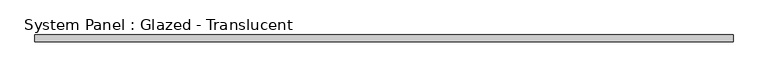
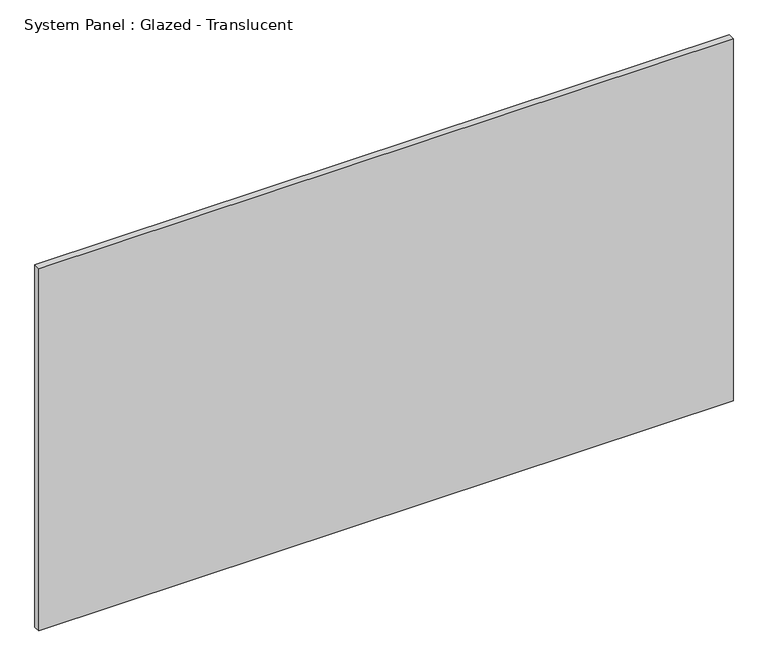
"""IFC4 building model written with IfcOpenShell, lengths in millimetres: plate geometry, System Panel : Glazed - Translucent."""

import ifcopenshell
import ifcopenshell.guid

model = None  # the IFC model being written
_history = None  # IfcOwnerHistory: only IFC2X3 demands one
_inside = {}  # id of a spatial element -> (the spatial element, [elements in it])
_under = {}  # id of a project, library or spatial element -> (it, [spatial elements below it])
_declared = {}  # id of a project -> (the project, [libraries it declares])
_typed = {}  # id of a type object -> (the type object, [elements of that type])
_made_of = {}  # id of a material, layer set ... -> (it, [elements and type objects made of it])


def new_model(schema):
    """Start an empty IFC model of exactly this schema.

    Asked for "IFC4X3", IfcOpenShell would pick the latest addendum, in which some entities
    have other attributes; the version numbers below select the first issue.
    IFC2X3 requires an IfcOwnerHistory on every rooted entity: one is made here for all.
    """
    global model, _history
    if schema == "IFC4X3":
        model = ifcopenshell.file(schema_version=(4, 3, 0, 0))
    else:
        model = ifcopenshell.file(schema=schema)
    _inside.clear()
    _under.clear()
    _declared.clear()
    _typed.clear()
    _made_of.clear()
    _history = None
    if model.schema == "IFC2X3":
        org = make("IfcOrganization", Name="unknown")
        user = make(
            "IfcPersonAndOrganization",
            ThePerson=make("IfcPerson", FamilyName="unknown"),
            TheOrganization=org,
        )
        app = make(
            "IfcApplication",
            ApplicationDeveloper=org,
            Version="unknown",
            ApplicationFullName="unknown",
            ApplicationIdentifier="unknown",
        )
        _history = make(
            "IfcOwnerHistory",
            OwningUser=user,
            OwningApplication=app,
            ChangeAction="ADDED",
            CreationDate=0,
        )
    return model


def make(cls, **values):
    """One entity of the class cls with the attributes given. An attribute that is None is left unset."""
    return model.create_entity(
        cls, **{name: value for name, value in values.items() if value is not None}
    )


def rooted(cls, **values):
    """An entity with a GlobalId (a new one), such as an element, a storey or a relation."""
    return make(cls, GlobalId=ifcopenshell.guid.new(), OwnerHistory=_history, **values)


def si_unit(unit_type, name, prefix=None):
    """IfcSIUnit, for example si_unit("LENGTHUNIT", "METRE", prefix="MILLI")."""
    return make("IfcSIUnit", UnitType=unit_type, Prefix=prefix, Name=name)


def assignment(units):
    """IfcUnitAssignment: the units of a project."""
    return None if units is None else make("IfcUnitAssignment", Units=units)


def point(xyz):
    """IfcCartesianPoint."""
    return None if xyz is None else make("IfcCartesianPoint", Coordinates=xyz)


def direction(xyz):
    """IfcDirection."""
    return None if xyz is None else make("IfcDirection", DirectionRatios=xyz)


def frame(location, z_axis=None, x_axis=None):
    """IfcAxis2Placement3D, a coordinate frame: its origin and axes. An axis left out is left unset."""
    return make(
        "IfcAxis2Placement3D",
        Location=point(location),
        Axis=direction(z_axis),
        RefDirection=direction(x_axis),
    )


def origin():
    """The frame at (0, 0, 0) with its axes left unset."""
    return frame((0.0, 0.0, 0.0))


def origin_with_axes():
    """The frame at (0, 0, 0) with the z axis (0, 0, 1) and the x axis (1, 0, 0) written out."""
    return frame((0.0, 0.0, 0.0), z_axis=(0.0, 0.0, 1.0), x_axis=(1.0, 0.0, 0.0))


def place(relative_to, where):
    """IfcLocalPlacement: puts the frame where relative to a parent placement (None: the world)."""
    return make(
        "IfcLocalPlacement", PlacementRelTo=relative_to, RelativePlacement=where
    )


def context(
    kind, dimensions, precision=None, world=None, true_north=None, identifier=None
):
    """IfcGeometricRepresentationContext, for example the 3D "Model" context."""
    return make(
        "IfcGeometricRepresentationContext",
        ContextIdentifier=identifier,
        ContextType=kind,
        CoordinateSpaceDimension=dimensions,
        Precision=precision,
        WorldCoordinateSystem=world,
        TrueNorth=true_north,
    )


def project(units=None, contexts=None):
    """IfcProject with its units and contexts."""
    return rooted(
        "IfcProject",
        Name="project",
        RepresentationContexts=contexts,
        UnitsInContext=assignment(units),
    )


def spatial(cls, under=None, at=None, **own):
    """A site, building, storey or space (cls), placed at a placement, below another one or the project."""
    s = rooted(cls, ObjectPlacement=at, **own)
    if under is not None:
        _under.setdefault(under.id(), (under, []))[1].append(s)
    return s


def polyline(points):
    """IfcPolyline through the points."""
    return make("IfcPolyline", Points=[point(p) for p in points])


def outline(outer, holes=None, kind="AREA"):
    """IfcArbitraryClosedProfileDef: a profile drawn as a closed curve; with holes, ...WithVoids."""
    if holes is None:
        return make("IfcArbitraryClosedProfileDef", ProfileType=kind, OuterCurve=outer)
    return make(
        "IfcArbitraryProfileDefWithVoids",
        ProfileType=kind,
        OuterCurve=outer,
        InnerCurves=holes,
    )


def extrude(swept, where, along, depth):
    """IfcExtrudedAreaSolid: the profile swept, set in the frame where, extruded along a direction by depth."""
    return make(
        "IfcExtrudedAreaSolid",
        SweptArea=swept,
        Position=where,
        ExtrudedDirection=direction(along),
        Depth=depth,
    )


def shape(context_of_items, identifier, shape_type, items):
    """IfcShapeRepresentation: the items that make up one representation, for example the "Body"."""
    return make(
        "IfcShapeRepresentation",
        ContextOfItems=context_of_items,
        RepresentationIdentifier=identifier,
        RepresentationType=shape_type,
        Items=items,
    )


def source(mapping_origin, context_of_items, identifier, shape_type, items):
    """IfcRepresentationMap: a shape defined once, which mapped items show again and again."""
    return make(
        "IfcRepresentationMap",
        MappingOrigin=mapping_origin,
        MappedRepresentation=shape(context_of_items, identifier, shape_type, items),
    )


def transform(
    local_origin,
    x_axis=None,
    y_axis=None,
    z_axis=None,
    scale=None,
    scale2=None,
    scale3=None,
    uniform=True,
):
    """IfcCartesianTransformationOperator3D, or its non-uniform kind. x_axis, y_axis, z_axis: its Axis1, 2, 3."""
    if uniform:
        return make(
            "IfcCartesianTransformationOperator3D",
            Axis1=direction(x_axis),
            Axis2=direction(y_axis),
            LocalOrigin=point(local_origin),
            Scale=scale,
            Axis3=direction(z_axis),
        )
    return make(
        "IfcCartesianTransformationOperator3DnonUniform",
        Axis1=direction(x_axis),
        Axis2=direction(y_axis),
        LocalOrigin=point(local_origin),
        Scale=scale,
        Axis3=direction(z_axis),
        Scale2=scale2,
        Scale3=scale3,
    )


def mapped(mapping_source, mapping_target):
    """IfcMappedItem: shows the shape of a source again, moved by a transform."""
    return make(
        "IfcMappedItem", MappingSource=mapping_source, MappingTarget=mapping_target
    )


def made_of(thing, what):
    """Note that an element or type object is made of a material, layer set ...; save() writes the relation."""
    if what is not None:
        _made_of.setdefault(what.id(), (what, []))[1].append(thing)
    return thing


def element(
    cls,
    number,
    at=None,
    inside=None,
    cuts=None,
    type_object=None,
    material=None,
    context=None,
    identifier="Body",
    shape_type=None,
    held_by="IfcProductDefinitionShape",
    body=None,
    shapes=None,
    **own,
):
    """One element of the class cls, such as IfcWall. Its Tag is "e" and its number.

    at: its placement. inside: the storey or other place that contains it. cuts: it is an
    opening in that element (IfcRelVoidsElement). A single representation is given by context,
    identifier, shape_type and body (its items); several are given by shapes. held_by: the class
    of the entity that holds the representations. save() writes the other relations.
    """
    e = rooted(cls, Tag="e%d" % number, ObjectPlacement=at, **own)
    if body is not None:
        shapes = [shape(context, identifier, shape_type, body)]
    if shapes is not None:
        e.Representation = make(held_by, Representations=shapes)
    if inside is not None:
        _inside.setdefault(inside.id(), (inside, []))[1].append(e)
    if cuts is not None:
        rooted(
            "IfcRelVoidsElement", RelatingBuildingElement=cuts, RelatedOpeningElement=e
        )
    if type_object is not None:
        _typed.setdefault(type_object.id(), (type_object, []))[1].append(e)
    return made_of(e, material)


def aggregate(whole, parts):
    """IfcRelAggregates: a whole, such as a stair, and the parts it consists of."""
    return rooted("IfcRelAggregates", RelatingObject=whole, RelatedObjects=parts)


def save(model, path):
    """Write the relations noted so far, then the file.

    IfcRelAggregates (storeys below a building ...), IfcRelContainedInSpatialStructure (elements
    in a storey), IfcRelDefinesByType, IfcRelAssociatesMaterial and IfcRelDeclares: one each for
    every whole, place, type object, material and project.
    """
    for whole, parts in _under.values():
        aggregate(whole, parts)
    for where, things in _inside.values():
        rooted(
            "IfcRelContainedInSpatialStructure",
            RelatedElements=things,
            RelatingStructure=where,
        )
    for kind, things in _typed.values():
        rooted("IfcRelDefinesByType", RelatedObjects=things, RelatingType=kind)
    for what, things in _made_of.values():
        rooted("IfcRelAssociatesMaterial", RelatedObjects=things, RelatingMaterial=what)
    for by, libraries in _declared.values():
        rooted("IfcRelDeclares", RelatingContext=by, RelatedDefinitions=libraries)
    model.write(path)


def system_panel_glazed_translucent_3e293123(model_context):
    return source(origin(), model_context, "Body", "SweptSolid", [
        extrude(outline(polyline([(1323.975, -44.45), (-1323.975, -44.45), (-1323.975, -19.05), (1323.975, -19.05), (1323.975, -44.45)])), origin_with_axes(), (0.0, 0.0, 1.0), 1460.5),
    ])


if __name__ == "__main__":
    model = new_model("IFC4")
    model_context = context("Model", 3, world=origin())
    ifc_project = project(units=[si_unit("LENGTHUNIT", "METRE", prefix="MILLI")], contexts=[model_context])
    site = spatial("IfcSite", under=ifc_project)
    building = spatial("IfcBuilding", under=site)
    placement = place(None, origin())
    system_panel_glazed_translucent_shape = system_panel_glazed_translucent_3e293123(model_context)
    element("IfcPlate", 1, ObjectType="System Panel : Glazed - Translucent", at=placement, inside=building, context=model_context, shape_type="MappedRepresentation", body=[
        mapped(system_panel_glazed_translucent_shape, transform((0.0, 0.0, 0.0), x_axis=(1.0, 0.0, 0.0), y_axis=(0.0, 1.0, 0.0), z_axis=(0.0, 0.0, 1.0))),
    ])
    save(model, "model.ifc")
